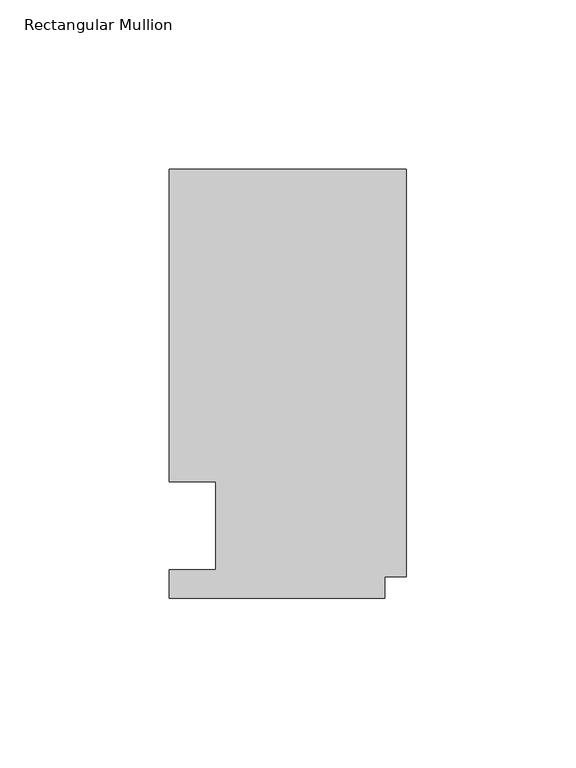
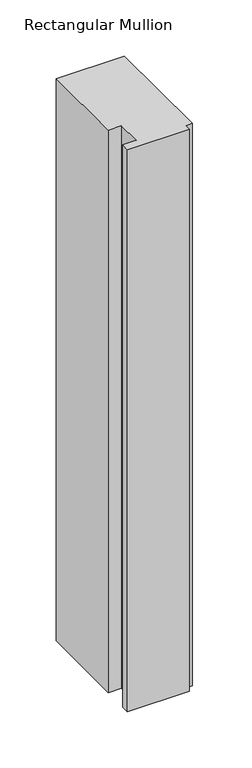
"""IFC4 building model written with IfcOpenShell, lengths in millimetres: member geometry, Rectangular Mullion."""

from ifc_helpers import new_model, si_unit, frame, origin, place, context, project, spatial, polyline, outline, extrude, source, transform, mapped, element, save


def rectangular_mullion_f3651b86(model_context):
    return source(origin(), model_context, "Body", "SweptSolid", [
        extrude(outline(polyline([(-69.85, -0.0111125), (-69.85, 8.3454875), (-56.1848, 8.3454875), (-56.1848, 34.3296875), (-69.85, 34.3296875), (-69.85, 126.4808875), (0.0, 126.4808875), (0.0, 6.3388875), (-6.35, 6.3388875), (-6.35, -0.0111125), (-69.85, -0.0111125)])), frame((0.0, 0.0, -609.5976187), z_axis=(0.0, 0.0, 1.0), x_axis=(1.0, 0.0, 0.0)), (0.0, 0.0, 1.0), 609.5976187),
    ])


if __name__ == "__main__":
    model = new_model("IFC4")
    model_context = context("Model", 3, world=origin())
    ifc_project = project(units=[si_unit("LENGTHUNIT", "METRE", prefix="MILLI")], contexts=[model_context])
    site = spatial("IfcSite", under=ifc_project)
    building = spatial("IfcBuilding", under=site)
    placement = place(None, origin())
    rectangular_mullion_shape = rectangular_mullion_f3651b86(model_context)
    element("IfcMember", 1, ObjectType="Rectangular Mullion", at=placement, inside=building, context=model_context, shape_type="MappedRepresentation", body=[
        mapped(rectangular_mullion_shape, transform((0.0, 0.0, 0.0), x_axis=(1.0, 0.0, 0.0), y_axis=(0.0, 1.0, 0.0), z_axis=(0.0, 0.0, 1.0))),
    ])
    save(model, "model.ifc")
